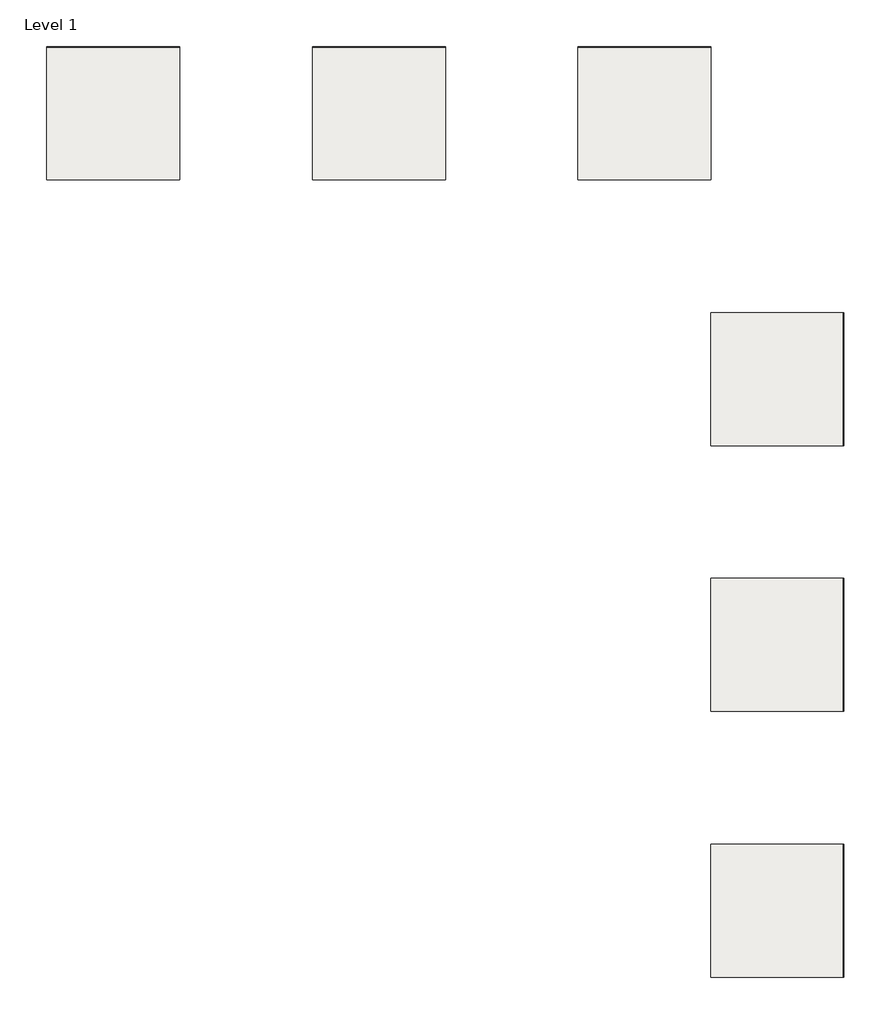
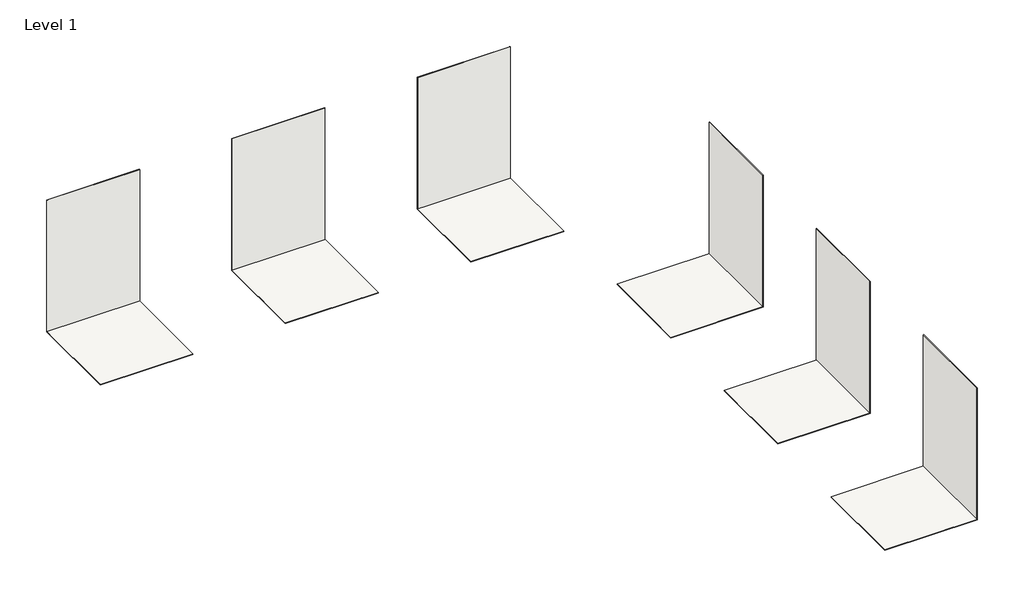
# One storey: 12 coverings.
"""IFC4 building model written with IfcOpenShell, lengths in millimetres."""

from ifc_helpers import new_model, si_unit, frame, origin, origin_with_axes, place, context, project, spatial, polyline, outline, extrude, element, save

model = new_model("IFC4")

# Units and contexts
model_context = context("Model", 3, world=origin())
ifc_project = project(units=[si_unit("LENGTHUNIT", "METRE", prefix="MILLI")], contexts=[model_context])

# Site, building, storey
site = spatial("IfcSite", under=ifc_project)
building = spatial("IfcBuilding", under=site)
storey = spatial("IfcBuildingStorey", under=building, Name="Level 1", Elevation=0.0)

# Coverings
placement = place(None, origin())
element("IfcCovering", 1, at=placement, inside=storey, context=model_context, shape_type="SweptSolid", body=[
    extrude(outline(polyline([(3527.0774266, -17501.9826748), (1527.0774266, -17501.9826748), (1527.0774266, -15501.9826748), (3527.0774266, -15501.9826748), (3527.0774266, -17501.9826748)])), frame((0.0, 0.0, -11.5), z_axis=(0.0, 0.0, 1.0), x_axis=(1.0, 0.0, 0.0)), (0.0, 0.0, 1.0), 11.5),
])
element("IfcCovering", 2, at=placement, inside=storey, context=model_context, shape_type="SweptSolid", body=[
    extrude(outline(polyline([(3515.5774266, -17501.9826748), (3515.5774266, -15501.9826748), (3527.0774266, -15501.9826748), (3527.0774266, -17501.9826748), (3515.5774266, -17501.9826748)])), origin_with_axes(), (0.0, 0.0, 1.0), 3000.0),
])
element("IfcCovering", 3, at=placement, inside=storey, context=model_context, shape_type="SweptSolid", body=[
    extrude(outline(polyline([(3527.0774266, -13501.9826748), (1527.0774266, -13501.9826748), (1527.0774266, -11501.9826748), (3527.0774266, -11501.9826748), (3527.0774266, -13501.9826748)])), frame((0.0, 0.0, -11.5), z_axis=(0.0, 0.0, 1.0), x_axis=(1.0, 0.0, 0.0)), (0.0, 0.0, 1.0), 11.5),
])
element("IfcCovering", 4, at=placement, inside=storey, context=model_context, shape_type="SweptSolid", body=[
    extrude(outline(polyline([(3515.5774266, -13501.9826748), (3515.5774266, -11501.9826748), (3527.0774266, -11501.9826748), (3527.0774266, -13501.9826748), (3515.5774266, -13501.9826748)])), origin_with_axes(), (0.0, 0.0, 1.0), 3000.0),
])
element("IfcCovering", 5, at=placement, inside=storey, context=model_context, shape_type="SweptSolid", body=[
    extrude(outline(polyline([(3527.0774266, -9501.9826748), (1527.0774266, -9501.9826748), (1527.0774266, -7501.9826748), (3527.0774266, -7501.9826748), (3527.0774266, -9501.9826748)])), frame((0.0, 0.0, -11.5), z_axis=(0.0, 0.0, 1.0), x_axis=(1.0, 0.0, 0.0)), (0.0, 0.0, 1.0), 11.5),
])
element("IfcCovering", 6, at=placement, inside=storey, context=model_context, shape_type="SweptSolid", body=[
    extrude(outline(polyline([(3515.5774266, -9501.9826748), (3515.5774266, -7501.9826748), (3527.0774266, -7501.9826748), (3527.0774266, -9501.9826748), (3515.5774266, -9501.9826748)])), origin_with_axes(), (0.0, 0.0, 1.0), 3000.0),
])
element("IfcCovering", 7, at=placement, inside=storey, context=model_context, shape_type="SweptSolid", body=[
    extrude(outline(polyline([(1527.0774266, -3501.9826748), (1527.0774266, -5501.9826748), (-472.9225734, -5501.9826748), (-472.9225734, -3501.9826748), (1527.0774266, -3501.9826748)])), frame((0.0, 0.0, -11.5), z_axis=(0.0, 0.0, 1.0), x_axis=(1.0, 0.0, 0.0)), (0.0, 0.0, 1.0), 11.5),
])
element("IfcCovering", 8, at=placement, inside=storey, context=model_context, shape_type="SweptSolid", body=[
    extrude(outline(polyline([(1527.0774266, -3513.4826748), (-472.9225734, -3513.4826748), (-472.9225734, -3501.9826748), (1527.0774266, -3501.9826748), (1527.0774266, -3513.4826748)])), origin_with_axes(), (0.0, 0.0, 1.0), 3000.0),
])
element("IfcCovering", 9, at=placement, inside=storey, context=model_context, shape_type="SweptSolid", body=[
    extrude(outline(polyline([(-2472.9225734, -3501.9826748), (-2472.9225734, -5501.9826748), (-4472.9225734, -5501.9826748), (-4472.9225734, -3501.9826748), (-2472.9225734, -3501.9826748)])), frame((0.0, 0.0, -11.5), z_axis=(0.0, 0.0, 1.0), x_axis=(1.0, 0.0, 0.0)), (0.0, 0.0, 1.0), 11.5),
])
element("IfcCovering", 10, at=placement, inside=storey, context=model_context, shape_type="SweptSolid", body=[
    extrude(outline(polyline([(-2472.9225734, -3513.4826748), (-4472.9225734, -3513.4826748), (-4472.9225734, -3501.9826748), (-2472.9225734, -3501.9826748), (-2472.9225734, -3513.4826748)])), origin_with_axes(), (0.0, 0.0, 1.0), 3000.0),
])
element("IfcCovering", 11, at=placement, inside=storey, context=model_context, shape_type="SweptSolid", body=[
    extrude(outline(polyline([(-6472.9225734, -3501.9826748), (-6472.9225734, -5501.9826748), (-8472.9225734, -5501.9826748), (-8472.9225734, -3501.9826748), (-6472.9225734, -3501.9826748)])), frame((0.0, 0.0, -11.5), z_axis=(0.0, 0.0, 1.0), x_axis=(1.0, 0.0, 0.0)), (0.0, 0.0, 1.0), 11.5),
])
element("IfcCovering", 12, at=placement, inside=storey, context=model_context, shape_type="SweptSolid", body=[
    extrude(outline(polyline([(-6472.9225734, -3513.4826748), (-8472.9225734, -3513.4826748), (-8472.9225734, -3501.9826748), (-6472.9225734, -3501.9826748), (-6472.9225734, -3513.4826748)])), origin_with_axes(), (0.0, 0.0, 1.0), 3000.0),
])

save(model, "model.ifc")
